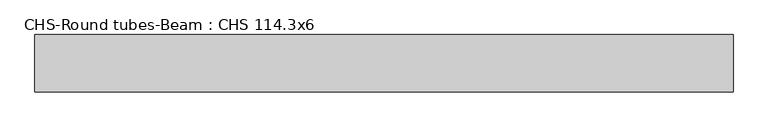
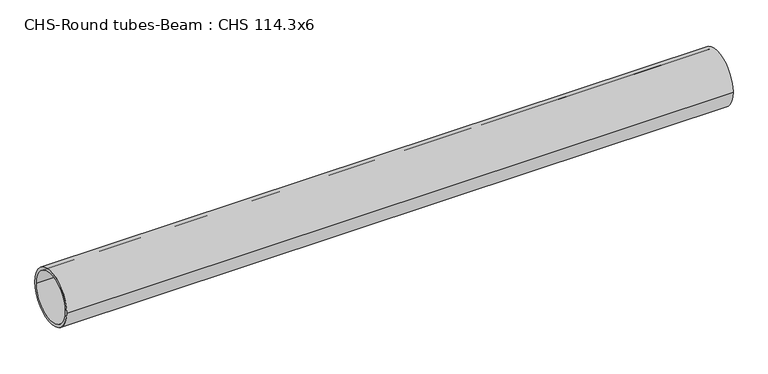
"""IFC4 building model written with IfcOpenShell, lengths in millimetres: beam geometry, CHS-Round tubes-Beam : CHS 114.3x6."""

from ifc_helpers import new_model, si_unit, point, frame, origin, origin_2d, place, context, project, spatial, circle_curve, trimmed, segment, composite_curve, outline, extrude, source, transform, mapped, element, save


def chs_round_tubes_beam_chs_114_3x6_844b1255(model_context):
    return source(origin(), model_context, "Body", "SweptSolid", [
        extrude(outline(composite_curve([segment(trimmed(circle_curve(origin_2d(), 57.15), [point((57.15, 0.0))], [point((-57.15, 0.0))], False, "CARTESIAN"), True, "CONTINUOUS"), segment(trimmed(circle_curve(origin_2d(), 57.15), [point((-57.15, 0.0))], [point((57.15, 0.0))], False, "CARTESIAN"), True, "CONTINUOUS")], self_intersect=False), holes=[composite_curve([segment(trimmed(circle_curve(origin_2d(), 51.15), [point((51.15, 0.0))], [point((-51.15, 0.0))], True, "CARTESIAN"), True, "CONTINUOUS"), segment(trimmed(circle_curve(origin_2d(), 51.15), [point((-51.15, 0.0))], [point((51.15, 0.0))], True, "CARTESIAN"), True, "CONTINUOUS")], self_intersect=False)]), frame((-770.3635183, 0.0, 0.0), z_axis=(1.0, 0.0, 0.0), x_axis=(0.0, 1.0, 0.0)), (0.0, 0.0, 1.0), 1387.6975856),
    ])


if __name__ == "__main__":
    model = new_model("IFC4")
    model_context = context("Model", 3, world=origin())
    ifc_project = project(units=[si_unit("LENGTHUNIT", "METRE", prefix="MILLI")], contexts=[model_context])
    site = spatial("IfcSite", under=ifc_project)
    building = spatial("IfcBuilding", under=site)
    placement = place(None, origin())
    chs_round_tubes_beam_chs_114_3x6_shape = chs_round_tubes_beam_chs_114_3x6_844b1255(model_context)
    element("IfcBeam", 1, ObjectType="CHS-Round tubes-Beam : CHS 114.3x6", at=placement, inside=building, context=model_context, shape_type="MappedRepresentation", body=[
        mapped(chs_round_tubes_beam_chs_114_3x6_shape, transform((0.0, 0.0, 0.0), x_axis=(1.0, 0.0, 0.0), y_axis=(0.0, 1.0, 0.0), z_axis=(0.0, 0.0, 1.0))),
    ])
    save(model, "model.ifc")
